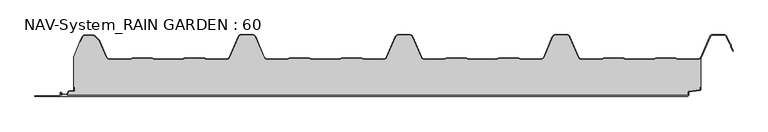
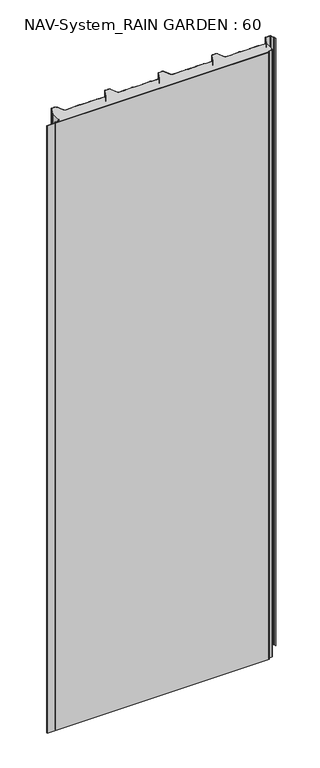
"""IFC4 building model written with IfcOpenShell, lengths in millimetres: plate geometry, NAV-System_RAIN GARDEN : 60."""

from ifc_helpers import new_model, si_unit, point, frame, frame_2d, origin, origin_with_axes, place, context, project, spatial, polyline, circle_curve, trimmed, segment, composite_curve, outline, extrude, source, transform, mapped, element, save


def nav_system_rain_garden_60_7cf71a75(model_context):
    return source(origin(), model_context, "Body", "SweptSolid", [
        extrude(outline(composite_curve([segment(polyline([(14.6767555, 519.0), (14.6767555, 518.2), (10.3721283, 518.2), (7.8818536, 500.4911207)]), True, "CONTINUOUS"), segment(trimmed(circle_curve(frame_2d((6.3964683, 500.7)), 1.5), [point((7.8818536, 500.4911207))], [point((6.3964683, 499.2))], False, "CARTESIAN"), True, "CONTINUOUS"), segment(polyline([(6.3964683, 499.2), (1.8, 499.2), (1.8, -498.7)]), True, "CONTINUOUS"), segment(trimmed(circle_curve(frame_2d((2.3, -498.7)), 0.5), [point((1.8, -498.7))], [point((2.3, -499.2))], True, "CARTESIAN"), True, "CONTINUOUS"), segment(polyline([(2.3, -499.2), (5.3700191, -499.2)]), True, "CONTINUOUS"), segment(trimmed(circle_curve(frame_2d((5.3700191, -498.7)), 0.5), [point((5.3700191, -499.2))], [point((5.6200191, -498.2669873))], True, "CARTESIAN"), True, "CONTINUOUS"), segment(polyline([(5.6200191, -498.2669873), (2.2, -496.2924383), (2.2, -488.9841833), (7.6866602, -485.8164586), (8.898332, -477.2), (14.6767555, -477.2), (14.6767555, -478.0), (9.5937048, -478.0), (8.5128213, -485.6863953)]), True, "CONTINUOUS"), segment(trimmed(circle_curve(frame_2d((7.2254873, -485.5053666)), 1.3), [point((8.5128213, -485.6863953))], [point((7.8754873, -486.6311996))], False, "CARTESIAN"), True, "CONTINUOUS"), segment(polyline([(7.8754873, -486.6311996), (3.0, -489.4460636), (3.0, -495.8305581), (6.0200191, -497.574167)]), True, "CONTINUOUS"), segment(trimmed(circle_curve(frame_2d((5.3700191, -498.7)), 1.3), [point((6.0200191, -497.574167))], [point((5.3700191, -500.0))], False, "CARTESIAN"), True, "CONTINUOUS"), segment(polyline([(5.3700191, -500.0), (2.3, -500.0)]), True, "CONTINUOUS"), segment(trimmed(circle_curve(frame_2d((2.3, -498.7)), 1.3), [point((2.3, -500.0))], [point((1.0, -498.7))], False, "CARTESIAN"), True, "CONTINUOUS"), segment(polyline([(1.0, -498.7), (1.0, -540.0), (0.0, -540.0), (0.0, 498.7), (1.0, 498.7)]), True, "CONTINUOUS"), segment(trimmed(circle_curve(frame_2d((2.3, 498.7)), 1.3), [point((1.0, 498.7))], [point((2.3, 500.0))], False, "CARTESIAN"), True, "CONTINUOUS"), segment(polyline([(2.3, 500.0), (6.3964683, 500.0)]), True, "CONTINUOUS"), segment(trimmed(circle_curve(frame_2d((6.3964683, 500.7)), 0.7), [point((6.3964683, 500.0))], [point((7.0896481, 500.602523))], True, "CARTESIAN"), True, "CONTINUOUS"), segment(polyline([(7.0896481, 500.602523), (9.5194024, 517.8810287)]), True, "CONTINUOUS"), segment(trimmed(circle_curve(frame_2d((10.8067363, 517.7)), 1.3), [point((9.5194024, 517.8810287))], [point((10.8067363, 519.0))], False, "CARTESIAN"), True, "CONTINUOUS"), segment(polyline([(10.8067363, 519.0), (14.6767555, 519.0)]), True, "CONTINUOUS")], self_intersect=False)), frame((0.0, 0.0, 3000.0), z_axis=(0.0, 0.0, -1.0), x_axis=(0.0, 1.0, 0.0)), (0.0, 0.0, 1.0), 3000.0),
        extrude(outline(composite_curve([segment(polyline([(519.0, 60.6220493), (519.0, 14.6767555), (518.2, 14.6767555), (518.2, 10.3721283), (500.4911207, 7.8818536)]), True, "CONTINUOUS"), segment(trimmed(circle_curve(frame_2d((500.7, 6.3964683)), 1.5), [point((500.4911207, 7.8818536))], [point((499.2, 6.3964683))], True, "CARTESIAN"), True, "CONTINUOUS"), segment(polyline([(499.2, 6.3964683), (499.2, 1.8), (-498.7, 1.8)]), True, "CONTINUOUS"), segment(trimmed(circle_curve(frame_2d((-498.7, 2.3)), 0.5), [point((-498.7, 1.8))], [point((-499.2, 2.3))], False, "CARTESIAN"), True, "CONTINUOUS"), segment(polyline([(-499.2, 2.3), (-499.2, 5.3700191)]), True, "CONTINUOUS"), segment(trimmed(circle_curve(frame_2d((-498.7, 5.3700191)), 0.5), [point((-499.2, 5.3700191))], [point((-498.2669873, 5.6200191))], False, "CARTESIAN"), True, "CONTINUOUS"), segment(polyline([(-498.2669873, 5.6200191), (-496.2924383, 2.2), (-488.9841833, 2.2), (-485.8164586, 7.6866602), (-477.2, 8.898332), (-477.2, 14.6767555), (-478.0, 14.6767555), (-478.0, 63.053822), (-468.3696578, 86.593514), (-467.6292254, 86.2905951), (-464.1022482, 94.9116756)]), True, "CONTINUOUS"), segment(trimmed(circle_curve(frame_2d((-461.1405186, 93.7)), 3.2), [point((-464.1022482, 94.9116756))], [point((-461.1405186, 96.9))], False, "CARTESIAN"), True, "CONTINUOUS"), segment(polyline([(-461.1405186, 96.9), (-447.7344665, 96.9)]), True, "CONTINUOUS"), segment(trimmed(circle_curve(frame_2d((-447.7344665, 92.7)), 4.2), [point((-447.7344665, 96.9))], [point((-444.764618, 95.6698485))], False, "CARTESIAN"), True, "CONTINUOUS"), segment(polyline([(-444.764618, 95.6698485), (-438.3136397, 89.2188701)]), True, "CONTINUOUS"), segment(trimmed(circle_curve(frame_2d((-441.2834882, 86.2490217)), 4.2), [point((-438.3136397, 89.2188701))], [point((-437.4245651, 87.9069459))], False, "CARTESIAN"), True, "CONTINUOUS"), segment(polyline([(-437.4245651, 87.9069459), (-426.3392729, 62.1052295)]), True, "CONTINUOUS"), segment(trimmed(circle_curve(frame_2d((-421.9290751, 64.0)), 4.8), [point((-426.3392729, 62.1052295))], [point((-421.9290751, 59.2))], True, "CARTESIAN"), True, "CONTINUOUS"), segment(polyline([(-421.9290751, 59.2), (-389.1564631, 59.2), (-385.1925378, 60.7), (-353.6825105, 60.7), (-349.6410865, 59.2), (-305.8231298, 59.2), (-301.9276212, 60.6741102), (-270.3491772, 60.7), (-266.3077532, 59.2), (-234.4101978, 59.2)]), True, "CONTINUOUS"), segment(trimmed(circle_curve(frame_2d((-234.4101978, 64.0)), 4.8), [point((-234.4101978, 59.2))], [point((-230.0, 62.1052295))], True, "CARTESIAN"), True, "CONTINUOUS"), segment(polyline([(-230.0, 62.1052295), (-215.7994417, 95.1579242)]), True, "CONTINUOUS"), segment(trimmed(circle_curve(frame_2d((-211.9405186, 93.5)), 4.2), [point((-215.7994417, 95.1579242))], [point((-211.9405186, 97.7))], False, "CARTESIAN"), True, "CONTINUOUS"), segment(polyline([(-211.9405186, 97.7), (-193.5280451, 97.7)]), True, "CONTINUOUS"), segment(trimmed(circle_curve(frame_2d((-193.5280451, 93.5)), 4.2), [point((-193.5280451, 97.7))], [point((-189.669122, 95.1579242))], False, "CARTESIAN"), True, "CONTINUOUS"), segment(polyline([(-189.669122, 95.1579242), (-175.4685637, 62.1052295)]), True, "CONTINUOUS"), segment(trimmed(circle_curve(frame_2d((-171.0583659, 64.0)), 4.8), [point((-175.4685637, 62.1052295))], [point((-171.0583659, 59.2))], True, "CARTESIAN"), True, "CONTINUOUS"), segment(polyline([(-171.0583659, 59.2), (-139.1564631, 59.2), (-135.1925378, 60.7), (-103.6825105, 60.7), (-99.6410865, 59.2), (-55.8231298, 59.2), (-51.9276212, 60.6741102), (-20.3491772, 60.7), (-16.3077532, 59.2), (15.5898022, 59.2)]), True, "CONTINUOUS"), segment(trimmed(circle_curve(frame_2d((15.5898022, 64.0)), 4.8), [point((15.5898022, 59.2))], [point((20.0, 62.1052295))], True, "CARTESIAN"), True, "CONTINUOUS"), segment(polyline([(20.0, 62.1052295), (34.2005583, 95.1579242)]), True, "CONTINUOUS"), segment(trimmed(circle_curve(frame_2d((38.0594814, 93.5)), 4.2), [point((34.2005583, 95.1579242))], [point((38.0594814, 97.7))], False, "CARTESIAN"), True, "CONTINUOUS"), segment(polyline([(38.0594814, 97.7), (56.4719549, 97.7)]), True, "CONTINUOUS"), segment(trimmed(circle_curve(frame_2d((56.4719549, 93.5)), 4.2), [point((56.4719549, 97.7))], [point((60.330878, 95.1579242))], False, "CARTESIAN"), True, "CONTINUOUS"), segment(polyline([(60.330878, 95.1579242), (74.5314363, 62.1052295)]), True, "CONTINUOUS"), segment(trimmed(circle_curve(frame_2d((78.9416341, 64.0)), 4.8), [point((74.5314363, 62.1052295))], [point((78.9416341, 59.2))], True, "CARTESIAN"), True, "CONTINUOUS"), segment(polyline([(78.9416341, 59.2), (110.8435369, 59.2), (114.8074622, 60.7), (146.3174895, 60.7), (150.3589135, 59.2), (194.1768702, 59.2), (198.0723788, 60.6741102), (229.6508228, 60.7), (233.6922468, 59.2), (265.5898022, 59.2)]), True, "CONTINUOUS"), segment(trimmed(circle_curve(frame_2d((265.5898022, 64.0)), 4.8), [point((265.5898022, 59.2))], [point((270.0, 62.1052295))], True, "CARTESIAN"), True, "CONTINUOUS"), segment(polyline([(270.0, 62.1052295), (284.2005583, 95.1579242)]), True, "CONTINUOUS"), segment(trimmed(circle_curve(frame_2d((288.0594814, 93.5)), 4.2), [point((284.2005583, 95.1579242))], [point((288.0594814, 97.7))], False, "CARTESIAN"), True, "CONTINUOUS"), segment(polyline([(288.0594814, 97.7), (306.4719549, 97.7)]), True, "CONTINUOUS"), segment(trimmed(circle_curve(frame_2d((306.4719549, 93.5)), 4.2), [point((306.4719549, 97.7))], [point((310.330878, 95.1579242))], False, "CARTESIAN"), True, "CONTINUOUS"), segment(polyline([(310.330878, 95.1579242), (324.5314363, 62.1052295)]), True, "CONTINUOUS"), segment(trimmed(circle_curve(frame_2d((328.9416341, 64.0)), 4.8), [point((324.5314363, 62.1052295))], [point((328.9416341, 59.2))], True, "CARTESIAN"), True, "CONTINUOUS"), segment(polyline([(328.9416341, 59.2), (360.8435369, 59.2), (364.7390455, 60.6741102), (396.3174895, 60.7), (400.3589135, 59.2), (444.1768702, 59.2), (448.0723788, 60.6741102), (479.6508228, 60.7), (483.6922468, 59.2), (515.5898022, 59.2)]), True, "CONTINUOUS"), segment(trimmed(circle_curve(frame_2d((515.5898022, 64.0)), 4.8), [point((515.5898022, 59.2))], [point((519.0, 60.6220493))], True, "CARTESIAN"), True, "CONTINUOUS")], self_intersect=False)), origin_with_axes(), (0.0, 0.0, 1.0), 3000.0),
        extrude(outline(composite_curve([segment(trimmed(circle_curve(frame_2d((-461.1408608, 93.7)), 4.0), [point((-464.8430228, 95.2145945))], [point((-461.1408608, 97.7))], False, "CARTESIAN"), True, "CONTINUOUS"), segment(polyline([(-461.1408608, 97.7), (-447.7348087, 97.7)]), True, "CONTINUOUS"), segment(trimmed(circle_curve(frame_2d((-447.7348087, 92.7)), 5.0), [point((-447.7348087, 97.7))], [point((-444.1992748, 96.2355339))], False, "CARTESIAN"), True, "CONTINUOUS"), segment(polyline([(-444.1992748, 96.2355339), (-437.7482965, 89.7845556)]), True, "CONTINUOUS"), segment(trimmed(circle_curve(frame_2d((-441.2838304, 86.2490217)), 5.0), [point((-437.7482965, 89.7845556))], [point((-436.6898744, 88.2227409))], False, "CARTESIAN"), True, "CONTINUOUS"), segment(polyline([(-436.6898744, 88.2227409), (-425.6045822, 62.4210246)]), True, "CONTINUOUS"), segment(trimmed(circle_curve(frame_2d((-421.9294173, 64.0)), 4.0), [point((-425.6045822, 62.4210246))], [point((-421.9294173, 60.0))], True, "CARTESIAN"), True, "CONTINUOUS"), segment(polyline([(-421.9294173, 60.0), (-389.3031082, 60.0), (-385.3391828, 61.5), (-353.4633986, 61.5), (-349.4994732, 60.0), (-305.9697749, 60.0), (-302.0058495, 61.5), (-270.1300653, 61.5), (-266.1661399, 60.0), (-234.41054, 60.0)]), True, "CONTINUOUS"), segment(trimmed(circle_curve(frame_2d((-234.41054, 64.0)), 4.0), [point((-234.41054, 60.0))], [point((-230.7353752, 62.4210246))], True, "CARTESIAN"), True, "CONTINUOUS"), segment(polyline([(-230.7353752, 62.4210246), (-216.5348169, 95.4737193)]), True, "CONTINUOUS"), segment(trimmed(circle_curve(frame_2d((-211.9408608, 93.5)), 5.0), [point((-216.5348169, 95.4737193))], [point((-211.9408608, 98.5))], False, "CARTESIAN"), True, "CONTINUOUS"), segment(polyline([(-211.9408608, 98.5), (-193.5283873, 98.5)]), True, "CONTINUOUS"), segment(trimmed(circle_curve(frame_2d((-193.5283873, 93.5)), 5.0), [point((-193.5283873, 98.5))], [point((-188.9344313, 95.4737193))], False, "CARTESIAN"), True, "CONTINUOUS"), segment(polyline([(-188.9344313, 95.4737193), (-174.7338729, 62.4210246)]), True, "CONTINUOUS"), segment(trimmed(circle_curve(frame_2d((-171.0587081, 64.0)), 4.0), [point((-174.7338729, 62.4210246))], [point((-171.0587081, 60.0))], True, "CARTESIAN"), True, "CONTINUOUS"), segment(polyline([(-171.0587081, 60.0), (-139.3031082, 60.0), (-135.3391828, 61.5), (-103.4633986, 61.5), (-99.4994732, 60.0), (-55.9697749, 60.0), (-52.0058495, 61.5), (-20.1300653, 61.5), (-16.1661399, 60.0), (15.58946, 60.0)]), True, "CONTINUOUS"), segment(trimmed(circle_curve(frame_2d((15.58946, 64.0)), 4.0), [point((15.58946, 60.0))], [point((19.2646248, 62.4210246))], True, "CARTESIAN"), True, "CONTINUOUS"), segment(polyline([(19.2646248, 62.4210246), (33.4651831, 95.4737193)]), True, "CONTINUOUS"), segment(trimmed(circle_curve(frame_2d((38.0591392, 93.5)), 5.0), [point((33.4651831, 95.4737193))], [point((38.0591392, 98.5))], False, "CARTESIAN"), True, "CONTINUOUS"), segment(polyline([(38.0591392, 98.5), (56.4716127, 98.5)]), True, "CONTINUOUS"), segment(trimmed(circle_curve(frame_2d((56.4716127, 93.5)), 5.0), [point((56.4716127, 98.5))], [point((61.0655687, 95.4737193))], False, "CARTESIAN"), True, "CONTINUOUS"), segment(polyline([(61.0655687, 95.4737193), (75.2661271, 62.4210246)]), True, "CONTINUOUS"), segment(trimmed(circle_curve(frame_2d((78.9412919, 64.0)), 4.0), [point((75.2661271, 62.4210246))], [point((78.9412919, 60.0))], True, "CARTESIAN"), True, "CONTINUOUS"), segment(polyline([(78.9412919, 60.0), (110.6968918, 60.0), (114.6608172, 61.5), (146.5366014, 61.5), (150.5005268, 60.0), (194.0302251, 60.0), (197.9941505, 61.5), (229.8699347, 61.5), (233.8338601, 60.0), (265.58946, 60.0)]), True, "CONTINUOUS"), segment(trimmed(circle_curve(frame_2d((265.58946, 64.0)), 4.0), [point((265.58946, 60.0))], [point((269.2646248, 62.4210246))], True, "CARTESIAN"), True, "CONTINUOUS"), segment(polyline([(269.2646248, 62.4210246), (283.4651831, 95.4737193)]), True, "CONTINUOUS"), segment(trimmed(circle_curve(frame_2d((288.0591392, 93.5)), 5.0), [point((283.4651831, 95.4737193))], [point((288.0591392, 98.5))], False, "CARTESIAN"), True, "CONTINUOUS"), segment(polyline([(288.0591392, 98.5), (306.4716127, 98.5)]), True, "CONTINUOUS"), segment(trimmed(circle_curve(frame_2d((306.4716127, 93.5)), 5.0), [point((306.4716127, 98.5))], [point((311.0655687, 95.4737193))], False, "CARTESIAN"), True, "CONTINUOUS"), segment(polyline([(311.0655687, 95.4737193), (325.2661271, 62.4210246)]), True, "CONTINUOUS"), segment(trimmed(circle_curve(frame_2d((328.9412919, 64.0)), 4.0), [point((325.2661271, 62.4210246))], [point((328.9412919, 60.0))], True, "CARTESIAN"), True, "CONTINUOUS"), segment(polyline([(328.9412919, 60.0), (360.6968918, 60.0), (364.6608172, 61.5), (396.5366014, 61.5), (400.5005268, 60.0), (444.0302251, 60.0), (447.9941505, 61.5), (479.8699347, 61.5), (483.8338601, 60.0), (515.58946, 60.0)]), True, "CONTINUOUS"), segment(trimmed(circle_curve(frame_2d((515.58946, 64.0)), 4.0), [point((515.58946, 60.0))], [point((519.2646248, 62.4210246))], True, "CARTESIAN"), True, "CONTINUOUS"), segment(polyline([(519.2646248, 62.4210246), (533.4651831, 95.4737193)]), True, "CONTINUOUS"), segment(trimmed(circle_curve(frame_2d((538.0591392, 93.5)), 5.0), [point((533.4651831, 95.4737193))], [point((538.0591392, 98.5))], False, "CARTESIAN"), True, "CONTINUOUS"), segment(polyline([(538.0591392, 98.5), (556.4716127, 98.5)]), True, "CONTINUOUS"), segment(trimmed(circle_curve(frame_2d((556.4716127, 93.5)), 5.0), [point((556.4716127, 98.5))], [point((561.0655687, 95.4737193))], False, "CARTESIAN"), True, "CONTINUOUS"), segment(polyline([(561.0655687, 95.4737193), (565.9006789, 84.2196957), (567.9230626, 82.4138642), (567.8408612, 79.703799), (570.8182039, 72.7738461), (570.0831709, 72.458051), (567.0358547, 79.5508717), (567.1121268, 82.0654564), (565.2356202, 83.741031), (560.3305358, 95.1579242)]), True, "CONTINUOUS"), segment(trimmed(circle_curve(frame_2d((556.4716127, 93.5)), 4.2), [point((560.3305358, 95.1579242))], [point((556.4716127, 97.7))], True, "CARTESIAN"), True, "CONTINUOUS"), segment(polyline([(556.4716127, 97.7), (538.0591392, 97.7)]), True, "CONTINUOUS"), segment(trimmed(circle_curve(frame_2d((538.0591392, 93.5)), 4.2), [point((538.0591392, 97.7))], [point((534.2002161, 95.1579242))], True, "CARTESIAN"), True, "CONTINUOUS"), segment(polyline([(534.2002161, 95.1579242), (519.9996578, 62.1052295)]), True, "CONTINUOUS"), segment(trimmed(circle_curve(frame_2d((515.58946, 64.0)), 4.8), [point((519.9996578, 62.1052295))], [point((515.58946, 59.2))], False, "CARTESIAN"), True, "CONTINUOUS"), segment(polyline([(515.58946, 59.2), (483.6919046, 59.2), (479.6504806, 60.7), (448.0720366, 60.6741102), (444.1765279, 59.2), (400.3585713, 59.2), (396.3171473, 60.7), (364.7387033, 60.6741102), (360.8431946, 59.2), (328.9412919, 59.2)]), True, "CONTINUOUS"), segment(trimmed(circle_curve(frame_2d((328.9412919, 64.0)), 4.8), [point((328.9412919, 59.2))], [point((324.5310941, 62.1052295))], False, "CARTESIAN"), True, "CONTINUOUS"), segment(polyline([(324.5310941, 62.1052295), (310.3305358, 95.1579242)]), True, "CONTINUOUS"), segment(trimmed(circle_curve(frame_2d((306.4716127, 93.5)), 4.2), [point((310.3305358, 95.1579242))], [point((306.4716127, 97.7))], True, "CARTESIAN"), True, "CONTINUOUS"), segment(polyline([(306.4716127, 97.7), (288.0591392, 97.7)]), True, "CONTINUOUS"), segment(trimmed(circle_curve(frame_2d((288.0591392, 93.5)), 4.2), [point((288.0591392, 97.7))], [point((284.2002161, 95.1579242))], True, "CARTESIAN"), True, "CONTINUOUS"), segment(polyline([(284.2002161, 95.1579242), (269.9996578, 62.1052295)]), True, "CONTINUOUS"), segment(trimmed(circle_curve(frame_2d((265.58946, 64.0)), 4.8), [point((269.9996578, 62.1052295))], [point((265.58946, 59.2))], False, "CARTESIAN"), True, "CONTINUOUS"), segment(polyline([(265.58946, 59.2), (233.6919046, 59.2), (229.6504806, 60.7), (198.0720366, 60.6741102), (194.1765279, 59.2), (150.3585713, 59.2), (146.3171473, 60.7), (114.7387033, 60.6741102), (110.8431946, 59.2), (78.9412919, 59.2)]), True, "CONTINUOUS"), segment(trimmed(circle_curve(frame_2d((78.9412919, 64.0)), 4.8), [point((78.9412919, 59.2))], [point((74.5310941, 62.1052295))], False, "CARTESIAN"), True, "CONTINUOUS"), segment(polyline([(74.5310941, 62.1052295), (60.3305358, 95.1579242)]), True, "CONTINUOUS"), segment(trimmed(circle_curve(frame_2d((56.4716127, 93.5)), 4.2), [point((60.3305358, 95.1579242))], [point((56.4716127, 97.7))], True, "CARTESIAN"), True, "CONTINUOUS"), segment(polyline([(56.4716127, 97.7), (38.0591392, 97.7)]), True, "CONTINUOUS"), segment(trimmed(circle_curve(frame_2d((38.0591392, 93.5)), 4.2), [point((38.0591392, 97.7))], [point((34.2002161, 95.1579242))], True, "CARTESIAN"), True, "CONTINUOUS"), segment(polyline([(34.2002161, 95.1579242), (19.9996578, 62.1052295)]), True, "CONTINUOUS"), segment(trimmed(circle_curve(frame_2d((15.58946, 64.0)), 4.8), [point((19.9996578, 62.1052295))], [point((15.58946, 59.2))], False, "CARTESIAN"), True, "CONTINUOUS"), segment(polyline([(15.58946, 59.2), (-16.3080954, 59.2), (-20.3495194, 60.7), (-51.9279634, 60.6741102), (-55.8234721, 59.2), (-99.6414287, 59.2), (-103.6828527, 60.7), (-135.2612967, 60.6741102), (-139.1568054, 59.2), (-171.0587081, 59.2)]), True, "CONTINUOUS"), segment(trimmed(circle_curve(frame_2d((-171.0587081, 64.0)), 4.8), [point((-171.0587081, 59.2))], [point((-175.4689059, 62.1052295))], False, "CARTESIAN"), True, "CONTINUOUS"), segment(polyline([(-175.4689059, 62.1052295), (-189.6694642, 95.1579242)]), True, "CONTINUOUS"), segment(trimmed(circle_curve(frame_2d((-193.5283873, 93.5)), 4.2), [point((-189.6694642, 95.1579242))], [point((-193.5283873, 97.7))], True, "CARTESIAN"), True, "CONTINUOUS"), segment(polyline([(-193.5283873, 97.7), (-211.9408608, 97.7)]), True, "CONTINUOUS"), segment(trimmed(circle_curve(frame_2d((-211.9408608, 93.5)), 4.2), [point((-211.9408608, 97.7))], [point((-215.7997839, 95.1579242))], True, "CARTESIAN"), True, "CONTINUOUS"), segment(polyline([(-215.7997839, 95.1579242), (-230.0003422, 62.1052295)]), True, "CONTINUOUS"), segment(trimmed(circle_curve(frame_2d((-234.41054, 64.0)), 4.8), [point((-230.0003422, 62.1052295))], [point((-234.41054, 59.2))], False, "CARTESIAN"), True, "CONTINUOUS"), segment(polyline([(-234.41054, 59.2), (-266.3080954, 59.2), (-270.3495194, 60.7), (-301.9279634, 60.6741102), (-305.8234721, 59.2), (-349.6414287, 59.2), (-353.6828527, 60.7), (-385.19288, 60.7), (-389.1568054, 59.2), (-421.9294173, 59.2)]), True, "CONTINUOUS"), segment(trimmed(circle_curve(frame_2d((-421.9294173, 64.0)), 4.8), [point((-421.9294173, 59.2))], [point((-426.3396151, 62.1052295))], False, "CARTESIAN"), True, "CONTINUOUS"), segment(polyline([(-426.3396151, 62.1052295), (-437.4249073, 87.9069459)]), True, "CONTINUOUS"), segment(trimmed(circle_curve(frame_2d((-441.2838304, 86.2490217)), 4.2), [point((-437.4249073, 87.9069459))], [point((-438.3139819, 89.2188701))], True, "CARTESIAN"), True, "CONTINUOUS"), segment(polyline([(-438.3139819, 89.2188701), (-444.7649603, 95.6698485)]), True, "CONTINUOUS"), segment(trimmed(circle_curve(frame_2d((-447.7348087, 92.7)), 4.2), [point((-444.7649603, 95.6698485))], [point((-447.7348087, 96.9))], True, "CARTESIAN"), True, "CONTINUOUS"), segment(polyline([(-447.7348087, 96.9), (-461.1408608, 96.9)]), True, "CONTINUOUS"), segment(trimmed(circle_curve(frame_2d((-461.1408608, 93.7)), 3.2), [point((-461.1408608, 96.9))], [point((-464.1025904, 94.9116756))], True, "CARTESIAN"), True, "CONTINUOUS"), segment(polyline([(-464.1025904, 94.9116756), (-467.6295676, 86.2905951), (-468.37, 86.593514), (-464.8430228, 95.2145945)]), True, "CONTINUOUS")], self_intersect=False)), origin_with_axes(), (0.0, 0.0, 1.0), 3000.0),
    ])


if __name__ == "__main__":
    model = new_model("IFC4")
    model_context = context("Model", 3, world=origin())
    ifc_project = project(units=[si_unit("LENGTHUNIT", "METRE", prefix="MILLI")], contexts=[model_context])
    site = spatial("IfcSite", under=ifc_project)
    building = spatial("IfcBuilding", under=site)
    placement = place(None, origin())
    nav_system_rain_garden_60_shape = nav_system_rain_garden_60_7cf71a75(model_context)
    element("IfcPlate", 1, ObjectType="NAV-System_RAIN GARDEN : 60", at=placement, inside=building, context=model_context, shape_type="MappedRepresentation", body=[
        mapped(nav_system_rain_garden_60_shape, transform((0.0, 0.0, 0.0), x_axis=(1.0, 0.0, 0.0), y_axis=(0.0, 1.0, 0.0), z_axis=(0.0, 0.0, 1.0))),
    ])
    save(model, "model.ifc")
